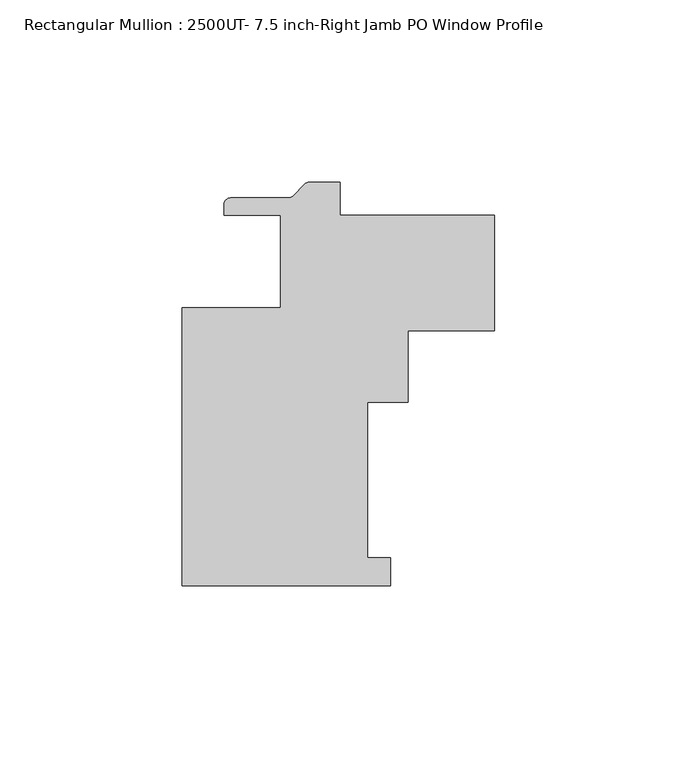
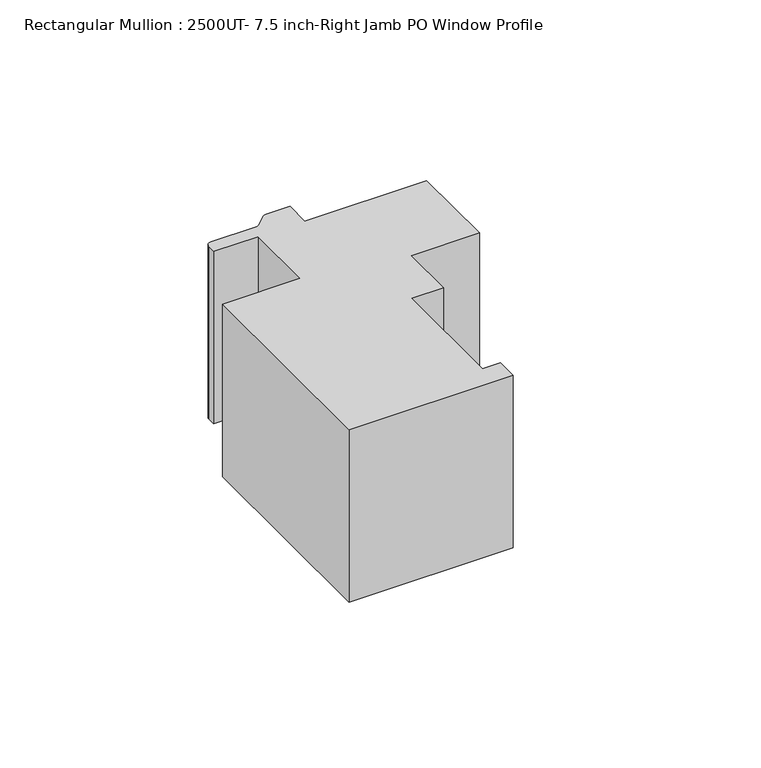
"""IFC4 building model written with IfcOpenShell, lengths in millimetres: member geometry, Rectangular Mullion : 2500UT- 7.5 inch-Right Jamb PO Window Profile."""

import ifcopenshell
import ifcopenshell.guid

model = None  # the IFC model being written
_history = None  # IfcOwnerHistory: only IFC2X3 demands one
_inside = {}  # id of a spatial element -> (the spatial element, [elements in it])
_under = {}  # id of a project, library or spatial element -> (it, [spatial elements below it])
_declared = {}  # id of a project -> (the project, [libraries it declares])
_typed = {}  # id of a type object -> (the type object, [elements of that type])
_made_of = {}  # id of a material, layer set ... -> (it, [elements and type objects made of it])


def new_model(schema):
    """Start an empty IFC model of exactly this schema.

    Asked for "IFC4X3", IfcOpenShell would pick the latest addendum, in which some entities
    have other attributes; the version numbers below select the first issue.
    IFC2X3 requires an IfcOwnerHistory on every rooted entity: one is made here for all.
    """
    global model, _history
    if schema == "IFC4X3":
        model = ifcopenshell.file(schema_version=(4, 3, 0, 0))
    else:
        model = ifcopenshell.file(schema=schema)
    _inside.clear()
    _under.clear()
    _declared.clear()
    _typed.clear()
    _made_of.clear()
    _history = None
    if model.schema == "IFC2X3":
        org = make("IfcOrganization", Name="unknown")
        user = make(
            "IfcPersonAndOrganization",
            ThePerson=make("IfcPerson", FamilyName="unknown"),
            TheOrganization=org,
        )
        app = make(
            "IfcApplication",
            ApplicationDeveloper=org,
            Version="unknown",
            ApplicationFullName="unknown",
            ApplicationIdentifier="unknown",
        )
        _history = make(
            "IfcOwnerHistory",
            OwningUser=user,
            OwningApplication=app,
            ChangeAction="ADDED",
            CreationDate=0,
        )
    return model


def make(cls, **values):
    """One entity of the class cls with the attributes given. An attribute that is None is left unset."""
    return model.create_entity(
        cls, **{name: value for name, value in values.items() if value is not None}
    )


def rooted(cls, **values):
    """An entity with a GlobalId (a new one), such as an element, a storey or a relation."""
    return make(cls, GlobalId=ifcopenshell.guid.new(), OwnerHistory=_history, **values)


def si_unit(unit_type, name, prefix=None):
    """IfcSIUnit, for example si_unit("LENGTHUNIT", "METRE", prefix="MILLI")."""
    return make("IfcSIUnit", UnitType=unit_type, Prefix=prefix, Name=name)


def assignment(units):
    """IfcUnitAssignment: the units of a project."""
    return None if units is None else make("IfcUnitAssignment", Units=units)


def point(xyz):
    """IfcCartesianPoint."""
    return None if xyz is None else make("IfcCartesianPoint", Coordinates=xyz)


def direction(xyz):
    """IfcDirection."""
    return None if xyz is None else make("IfcDirection", DirectionRatios=xyz)


def frame(location, z_axis=None, x_axis=None):
    """IfcAxis2Placement3D, a coordinate frame: its origin and axes. An axis left out is left unset."""
    return make(
        "IfcAxis2Placement3D",
        Location=point(location),
        Axis=direction(z_axis),
        RefDirection=direction(x_axis),
    )


def frame_2d(location, x_axis=None):
    """IfcAxis2Placement2D, a coordinate frame in the plane: its origin and x axis."""
    return make(
        "IfcAxis2Placement2D", Location=point(location), RefDirection=direction(x_axis)
    )


def origin():
    """The frame at (0, 0, 0) with its axes left unset."""
    return frame((0.0, 0.0, 0.0))


def place(relative_to, where):
    """IfcLocalPlacement: puts the frame where relative to a parent placement (None: the world)."""
    return make(
        "IfcLocalPlacement", PlacementRelTo=relative_to, RelativePlacement=where
    )


def context(
    kind, dimensions, precision=None, world=None, true_north=None, identifier=None
):
    """IfcGeometricRepresentationContext, for example the 3D "Model" context."""
    return make(
        "IfcGeometricRepresentationContext",
        ContextIdentifier=identifier,
        ContextType=kind,
        CoordinateSpaceDimension=dimensions,
        Precision=precision,
        WorldCoordinateSystem=world,
        TrueNorth=true_north,
    )


def project(units=None, contexts=None):
    """IfcProject with its units and contexts."""
    return rooted(
        "IfcProject",
        Name="project",
        RepresentationContexts=contexts,
        UnitsInContext=assignment(units),
    )


def spatial(cls, under=None, at=None, **own):
    """A site, building, storey or space (cls), placed at a placement, below another one or the project."""
    s = rooted(cls, ObjectPlacement=at, **own)
    if under is not None:
        _under.setdefault(under.id(), (under, []))[1].append(s)
    return s


def polyline(points):
    """IfcPolyline through the points."""
    return make("IfcPolyline", Points=[point(p) for p in points])


def circle_curve(where, radius):
    """IfcCircle in the frame where."""
    return make("IfcCircle", Position=where, Radius=radius)


def trimmed(basis, trim1, trim2, sense, master):
    """IfcTrimmedCurve: the piece of a basis curve between two trims."""
    return make(
        "IfcTrimmedCurve",
        BasisCurve=basis,
        Trim1=trim1,
        Trim2=trim2,
        SenseAgreement=sense,
        MasterRepresentation=master,
    )


def segment(curve, same_sense, transition):
    """IfcCompositeCurveSegment."""
    return make(
        "IfcCompositeCurveSegment",
        Transition=transition,
        SameSense=same_sense,
        ParentCurve=curve,
    )


def composite_curve(segments, self_intersect=None):
    """IfcCompositeCurve: segments joined end to end."""
    return make("IfcCompositeCurve", Segments=segments, SelfIntersect=self_intersect)


def outline(outer, holes=None, kind="AREA"):
    """IfcArbitraryClosedProfileDef: a profile drawn as a closed curve; with holes, ...WithVoids."""
    if holes is None:
        return make("IfcArbitraryClosedProfileDef", ProfileType=kind, OuterCurve=outer)
    return make(
        "IfcArbitraryProfileDefWithVoids",
        ProfileType=kind,
        OuterCurve=outer,
        InnerCurves=holes,
    )


def extrude(swept, where, along, depth):
    """IfcExtrudedAreaSolid: the profile swept, set in the frame where, extruded along a direction by depth."""
    return make(
        "IfcExtrudedAreaSolid",
        SweptArea=swept,
        Position=where,
        ExtrudedDirection=direction(along),
        Depth=depth,
    )


def shape(context_of_items, identifier, shape_type, items):
    """IfcShapeRepresentation: the items that make up one representation, for example the "Body"."""
    return make(
        "IfcShapeRepresentation",
        ContextOfItems=context_of_items,
        RepresentationIdentifier=identifier,
        RepresentationType=shape_type,
        Items=items,
    )


def source(mapping_origin, context_of_items, identifier, shape_type, items):
    """IfcRepresentationMap: a shape defined once, which mapped items show again and again."""
    return make(
        "IfcRepresentationMap",
        MappingOrigin=mapping_origin,
        MappedRepresentation=shape(context_of_items, identifier, shape_type, items),
    )


def transform(
    local_origin,
    x_axis=None,
    y_axis=None,
    z_axis=None,
    scale=None,
    scale2=None,
    scale3=None,
    uniform=True,
):
    """IfcCartesianTransformationOperator3D, or its non-uniform kind. x_axis, y_axis, z_axis: its Axis1, 2, 3."""
    if uniform:
        return make(
            "IfcCartesianTransformationOperator3D",
            Axis1=direction(x_axis),
            Axis2=direction(y_axis),
            LocalOrigin=point(local_origin),
            Scale=scale,
            Axis3=direction(z_axis),
        )
    return make(
        "IfcCartesianTransformationOperator3DnonUniform",
        Axis1=direction(x_axis),
        Axis2=direction(y_axis),
        LocalOrigin=point(local_origin),
        Scale=scale,
        Axis3=direction(z_axis),
        Scale2=scale2,
        Scale3=scale3,
    )


def mapped(mapping_source, mapping_target):
    """IfcMappedItem: shows the shape of a source again, moved by a transform."""
    return make(
        "IfcMappedItem", MappingSource=mapping_source, MappingTarget=mapping_target
    )


def made_of(thing, what):
    """Note that an element or type object is made of a material, layer set ...; save() writes the relation."""
    if what is not None:
        _made_of.setdefault(what.id(), (what, []))[1].append(thing)
    return thing


def element(
    cls,
    number,
    at=None,
    inside=None,
    cuts=None,
    type_object=None,
    material=None,
    context=None,
    identifier="Body",
    shape_type=None,
    held_by="IfcProductDefinitionShape",
    body=None,
    shapes=None,
    **own,
):
    """One element of the class cls, such as IfcWall. Its Tag is "e" and its number.

    at: its placement. inside: the storey or other place that contains it. cuts: it is an
    opening in that element (IfcRelVoidsElement). A single representation is given by context,
    identifier, shape_type and body (its items); several are given by shapes. held_by: the class
    of the entity that holds the representations. save() writes the other relations.
    """
    e = rooted(cls, Tag="e%d" % number, ObjectPlacement=at, **own)
    if body is not None:
        shapes = [shape(context, identifier, shape_type, body)]
    if shapes is not None:
        e.Representation = make(held_by, Representations=shapes)
    if inside is not None:
        _inside.setdefault(inside.id(), (inside, []))[1].append(e)
    if cuts is not None:
        rooted(
            "IfcRelVoidsElement", RelatingBuildingElement=cuts, RelatedOpeningElement=e
        )
    if type_object is not None:
        _typed.setdefault(type_object.id(), (type_object, []))[1].append(e)
    return made_of(e, material)


def aggregate(whole, parts):
    """IfcRelAggregates: a whole, such as a stair, and the parts it consists of."""
    return rooted("IfcRelAggregates", RelatingObject=whole, RelatedObjects=parts)


def save(model, path):
    """Write the relations noted so far, then the file.

    IfcRelAggregates (storeys below a building ...), IfcRelContainedInSpatialStructure (elements
    in a storey), IfcRelDefinesByType, IfcRelAssociatesMaterial and IfcRelDeclares: one each for
    every whole, place, type object, material and project.
    """
    for whole, parts in _under.values():
        aggregate(whole, parts)
    for where, things in _inside.values():
        rooted(
            "IfcRelContainedInSpatialStructure",
            RelatedElements=things,
            RelatingStructure=where,
        )
    for kind, things in _typed.values():
        rooted("IfcRelDefinesByType", RelatedObjects=things, RelatingType=kind)
    for what, things in _made_of.values():
        rooted("IfcRelAssociatesMaterial", RelatedObjects=things, RelatingMaterial=what)
    for by, libraries in _declared.values():
        rooted("IfcRelDeclares", RelatingContext=by, RelatedDefinitions=libraries)
    model.write(path)


def rectangular_mullion_2500ut_7_5_inch_right_jamb_po_window_4dea2940(model_context):
    return source(origin(), model_context, "Body", "SweptSolid", [
        extrude(outline(composite_curve([segment(polyline([(-27.0362617, 21.828125), (-18.6724412, 21.828125), (-18.6724412, 12.862719), (23.7998, 12.862719), (23.7998, -18.887281), (0.0037083, -18.887281), (0.0037083, -38.414325), (-11.1087917, -38.414325), (-11.1087917, -81.118075), (-4.7587917, -81.118075), (-4.7587917, -88.737276), (-61.9087917, -88.737276), (-61.9087917, -12.537276), (-34.9212916, -12.537276), (-34.9212916, 12.8619249), (-50.4224412, 12.8619249), (-50.4224412, 15.782925)]), True, "CONTINUOUS"), segment(trimmed(circle_curve(frame_2d((-48.6444412, 15.782925)), 1.778), [point((-50.4224412, 15.782925))], [point((-48.6444412, 17.560925))], False, "CARTESIAN"), True, "CONTINUOUS"), segment(polyline([(-48.6444412, 17.560925), (-32.7764051, 17.560925)]), True, "CONTINUOUS"), segment(trimmed(circle_curve(frame_2d((-32.7764051, 19.338925)), 1.778), [point((-32.7764051, 17.560925))], [point((-31.5191693, 18.0816891))], True, "CARTESIAN"), True, "CONTINUOUS"), segment(polyline([(-31.5191693, 18.0816891), (-28.2934976, 21.3073609)]), True, "CONTINUOUS"), segment(trimmed(circle_curve(frame_2d((-27.0362617, 20.050125)), 1.778), [point((-28.2934976, 21.3073609))], [point((-27.0362617, 21.828125))], False, "CARTESIAN"), True, "CONTINUOUS")], self_intersect=False)), frame((0.0, 0.0, -63.5), z_axis=(0.0, 0.0, 1.0), x_axis=(1.0, 0.0, 0.0)), (0.0, 0.0, 1.0), 63.5),
    ])


if __name__ == "__main__":
    model = new_model("IFC4")
    model_context = context("Model", 3, world=origin())
    ifc_project = project(units=[si_unit("LENGTHUNIT", "METRE", prefix="MILLI")], contexts=[model_context])
    site = spatial("IfcSite", under=ifc_project)
    building = spatial("IfcBuilding", under=site)
    placement = place(None, origin())
    rectangular_mullion_2500ut_7_5_inch_right_jamb_po_window_shape = rectangular_mullion_2500ut_7_5_inch_right_jamb_po_window_4dea2940(model_context)
    element("IfcMember", 1, ObjectType="Rectangular Mullion : 2500UT- 7.5 inch-Right Jamb PO Window Profile", at=placement, inside=building, context=model_context, shape_type="MappedRepresentation", body=[
        mapped(rectangular_mullion_2500ut_7_5_inch_right_jamb_po_window_shape, transform((0.0, 0.0, 0.0), x_axis=(1.0, 0.0, 0.0), y_axis=(0.0, 1.0, 0.0), z_axis=(0.0, 0.0, 1.0))),
    ])
    save(model, "model.ifc")
